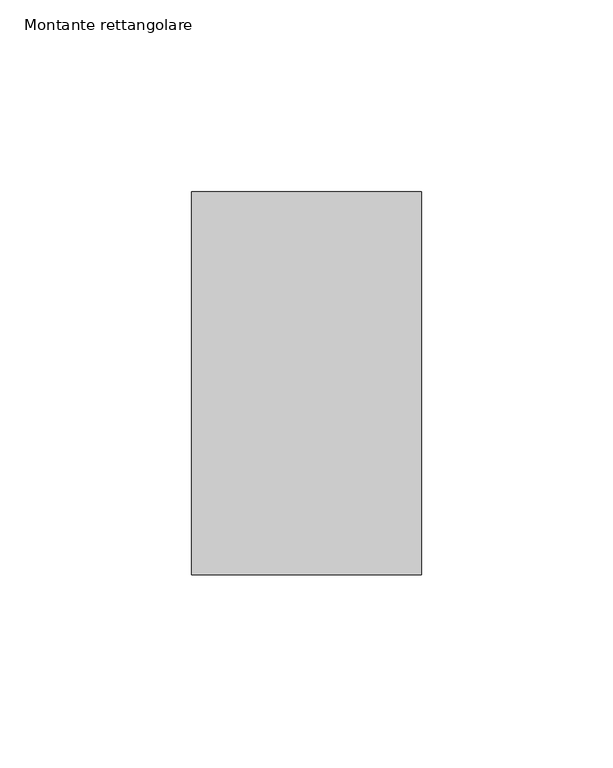
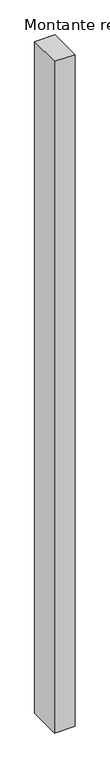
"""IFC4 building model written with IfcOpenShell, lengths in millimetres: member geometry, Montante rettangolare."""

from ifc_helpers import new_model, si_unit, frame, origin, place, context, project, spatial, polyline, outline, extrude, source, transform, mapped, element, save


def montante_rettangolare_65467d42(model_context):
    return source(origin(), model_context, "Body", "SweptSolid", [
        extrude(outline(polyline([(30.0, 50.0), (30.0, -50.0), (-30.0, -50.0), (-30.0, 50.0), (30.0, 50.0)])), frame((0.0, 0.0, -2071.7782401), z_axis=(0.0, 0.0, 1.0), x_axis=(1.0, 0.0, 0.0)), (0.0, 0.0, 1.0), 2071.7782401),
    ])


if __name__ == "__main__":
    model = new_model("IFC4")
    model_context = context("Model", 3, world=origin())
    ifc_project = project(units=[si_unit("LENGTHUNIT", "METRE", prefix="MILLI")], contexts=[model_context])
    site = spatial("IfcSite", under=ifc_project)
    building = spatial("IfcBuilding", under=site)
    placement = place(None, origin())
    montante_rettangolare_shape = montante_rettangolare_65467d42(model_context)
    element("IfcMember", 1, ObjectType="Montante rettangolare", at=placement, inside=building, context=model_context, shape_type="MappedRepresentation", body=[
        mapped(montante_rettangolare_shape, transform((0.0, 0.0, 0.0), x_axis=(1.0, 0.0, 0.0), y_axis=(0.0, 1.0, 0.0), z_axis=(0.0, 0.0, 1.0))),
    ])
    save(model, "model.ifc")
